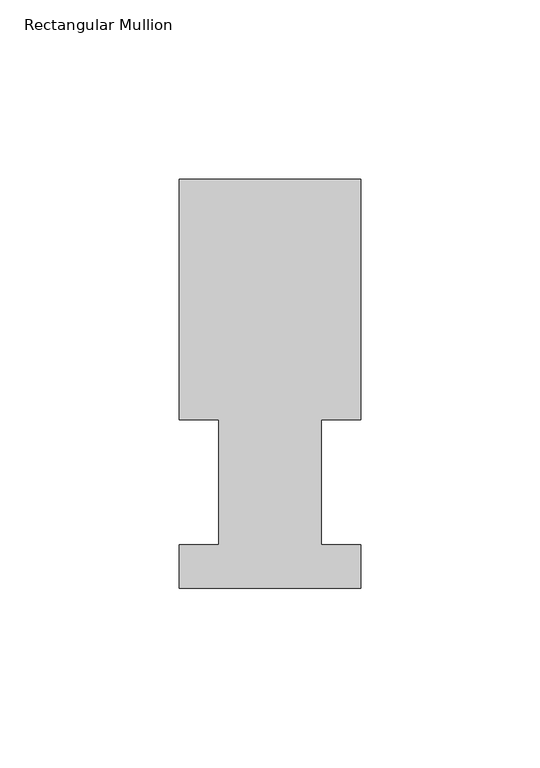
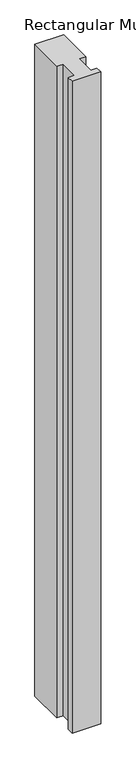
"""IFC4 building model written with IfcOpenShell, lengths in millimetres: member geometry, Rectangular Mullion."""

from ifc_helpers import new_model, si_unit, frame, origin, place, context, project, spatial, polyline, outline, extrude, source, transform, mapped, element, save


def rectangular_mullion_509ab00f(model_context):
    return source(origin(), model_context, "Body", "SweptSolid", [
        extrude(outline(polyline([(-25.4, 114.252375), (25.4, 114.252375), (25.4, 47.069375), (14.2875, 47.069375), (14.2875, 12.144375), (25.4, 12.144375), (25.4, -0.047625), (-25.4, -0.047625), (-25.4, 12.144375), (-14.2875, 12.144375), (-14.2875, 47.069375), (-25.4, 47.069375), (-25.4, 114.252375)])), frame((0.0, 0.0, -1219.2), z_axis=(0.0, 0.0, 1.0), x_axis=(1.0, 0.0, 0.0)), (0.0, 0.0, 1.0), 1219.2),
    ])


if __name__ == "__main__":
    model = new_model("IFC4")
    model_context = context("Model", 3, world=origin())
    ifc_project = project(units=[si_unit("LENGTHUNIT", "METRE", prefix="MILLI")], contexts=[model_context])
    site = spatial("IfcSite", under=ifc_project)
    building = spatial("IfcBuilding", under=site)
    placement = place(None, origin())
    rectangular_mullion_shape = rectangular_mullion_509ab00f(model_context)
    element("IfcMember", 1, ObjectType="Rectangular Mullion", at=placement, inside=building, context=model_context, shape_type="MappedRepresentation", body=[
        mapped(rectangular_mullion_shape, transform((0.0, 0.0, 0.0), x_axis=(1.0, 0.0, 0.0), y_axis=(0.0, 1.0, 0.0), z_axis=(0.0, 0.0, 1.0))),
    ])
    save(model, "model.ifc")
